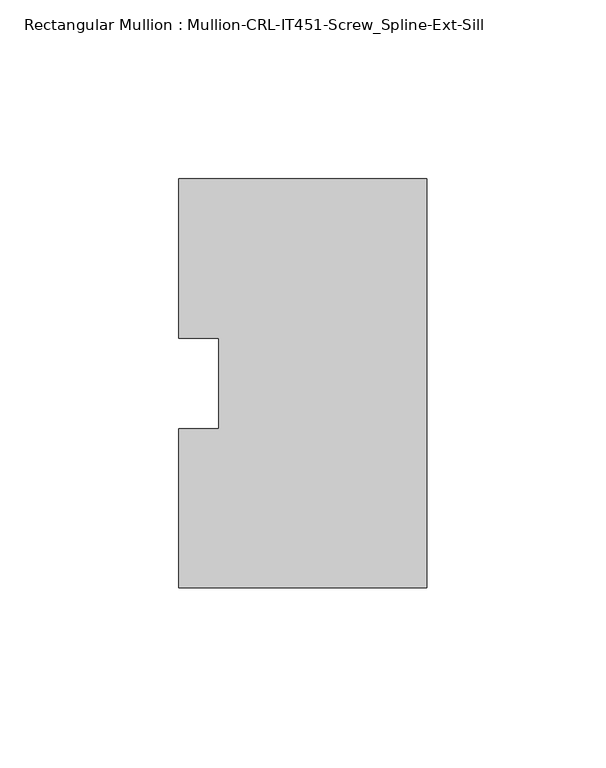
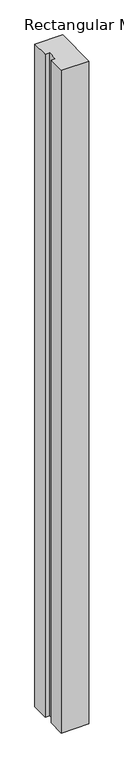
"""IFC4 building model written with IfcOpenShell, lengths in millimetres: member geometry, Rectangular Mullion : Mullion-CRL-IT451-Screw_Spline-Ext-Sill."""

import ifcopenshell
import ifcopenshell.guid

model = None  # the IFC model being written
_history = None  # IfcOwnerHistory: only IFC2X3 demands one
_inside = {}  # id of a spatial element -> (the spatial element, [elements in it])
_under = {}  # id of a project, library or spatial element -> (it, [spatial elements below it])
_declared = {}  # id of a project -> (the project, [libraries it declares])
_typed = {}  # id of a type object -> (the type object, [elements of that type])
_made_of = {}  # id of a material, layer set ... -> (it, [elements and type objects made of it])


def new_model(schema):
    """Start an empty IFC model of exactly this schema.

    Asked for "IFC4X3", IfcOpenShell would pick the latest addendum, in which some entities
    have other attributes; the version numbers below select the first issue.
    IFC2X3 requires an IfcOwnerHistory on every rooted entity: one is made here for all.
    """
    global model, _history
    if schema == "IFC4X3":
        model = ifcopenshell.file(schema_version=(4, 3, 0, 0))
    else:
        model = ifcopenshell.file(schema=schema)
    _inside.clear()
    _under.clear()
    _declared.clear()
    _typed.clear()
    _made_of.clear()
    _history = None
    if model.schema == "IFC2X3":
        org = make("IfcOrganization", Name="unknown")
        user = make(
            "IfcPersonAndOrganization",
            ThePerson=make("IfcPerson", FamilyName="unknown"),
            TheOrganization=org,
        )
        app = make(
            "IfcApplication",
            ApplicationDeveloper=org,
            Version="unknown",
            ApplicationFullName="unknown",
            ApplicationIdentifier="unknown",
        )
        _history = make(
            "IfcOwnerHistory",
            OwningUser=user,
            OwningApplication=app,
            ChangeAction="ADDED",
            CreationDate=0,
        )
    return model


def make(cls, **values):
    """One entity of the class cls with the attributes given. An attribute that is None is left unset."""
    return model.create_entity(
        cls, **{name: value for name, value in values.items() if value is not None}
    )


def rooted(cls, **values):
    """An entity with a GlobalId (a new one), such as an element, a storey or a relation."""
    return make(cls, GlobalId=ifcopenshell.guid.new(), OwnerHistory=_history, **values)


def si_unit(unit_type, name, prefix=None):
    """IfcSIUnit, for example si_unit("LENGTHUNIT", "METRE", prefix="MILLI")."""
    return make("IfcSIUnit", UnitType=unit_type, Prefix=prefix, Name=name)


def assignment(units):
    """IfcUnitAssignment: the units of a project."""
    return None if units is None else make("IfcUnitAssignment", Units=units)


def point(xyz):
    """IfcCartesianPoint."""
    return None if xyz is None else make("IfcCartesianPoint", Coordinates=xyz)


def direction(xyz):
    """IfcDirection."""
    return None if xyz is None else make("IfcDirection", DirectionRatios=xyz)


def frame(location, z_axis=None, x_axis=None):
    """IfcAxis2Placement3D, a coordinate frame: its origin and axes. An axis left out is left unset."""
    return make(
        "IfcAxis2Placement3D",
        Location=point(location),
        Axis=direction(z_axis),
        RefDirection=direction(x_axis),
    )


def origin():
    """The frame at (0, 0, 0) with its axes left unset."""
    return frame((0.0, 0.0, 0.0))


def place(relative_to, where):
    """IfcLocalPlacement: puts the frame where relative to a parent placement (None: the world)."""
    return make(
        "IfcLocalPlacement", PlacementRelTo=relative_to, RelativePlacement=where
    )


def context(
    kind, dimensions, precision=None, world=None, true_north=None, identifier=None
):
    """IfcGeometricRepresentationContext, for example the 3D "Model" context."""
    return make(
        "IfcGeometricRepresentationContext",
        ContextIdentifier=identifier,
        ContextType=kind,
        CoordinateSpaceDimension=dimensions,
        Precision=precision,
        WorldCoordinateSystem=world,
        TrueNorth=true_north,
    )


def project(units=None, contexts=None):
    """IfcProject with its units and contexts."""
    return rooted(
        "IfcProject",
        Name="project",
        RepresentationContexts=contexts,
        UnitsInContext=assignment(units),
    )


def spatial(cls, under=None, at=None, **own):
    """A site, building, storey or space (cls), placed at a placement, below another one or the project."""
    s = rooted(cls, ObjectPlacement=at, **own)
    if under is not None:
        _under.setdefault(under.id(), (under, []))[1].append(s)
    return s


def polyline(points):
    """IfcPolyline through the points."""
    return make("IfcPolyline", Points=[point(p) for p in points])


def outline(outer, holes=None, kind="AREA"):
    """IfcArbitraryClosedProfileDef: a profile drawn as a closed curve; with holes, ...WithVoids."""
    if holes is None:
        return make("IfcArbitraryClosedProfileDef", ProfileType=kind, OuterCurve=outer)
    return make(
        "IfcArbitraryProfileDefWithVoids",
        ProfileType=kind,
        OuterCurve=outer,
        InnerCurves=holes,
    )


def extrude(swept, where, along, depth):
    """IfcExtrudedAreaSolid: the profile swept, set in the frame where, extruded along a direction by depth."""
    return make(
        "IfcExtrudedAreaSolid",
        SweptArea=swept,
        Position=where,
        ExtrudedDirection=direction(along),
        Depth=depth,
    )


def shape(context_of_items, identifier, shape_type, items):
    """IfcShapeRepresentation: the items that make up one representation, for example the "Body"."""
    return make(
        "IfcShapeRepresentation",
        ContextOfItems=context_of_items,
        RepresentationIdentifier=identifier,
        RepresentationType=shape_type,
        Items=items,
    )


def source(mapping_origin, context_of_items, identifier, shape_type, items):
    """IfcRepresentationMap: a shape defined once, which mapped items show again and again."""
    return make(
        "IfcRepresentationMap",
        MappingOrigin=mapping_origin,
        MappedRepresentation=shape(context_of_items, identifier, shape_type, items),
    )


def transform(
    local_origin,
    x_axis=None,
    y_axis=None,
    z_axis=None,
    scale=None,
    scale2=None,
    scale3=None,
    uniform=True,
):
    """IfcCartesianTransformationOperator3D, or its non-uniform kind. x_axis, y_axis, z_axis: its Axis1, 2, 3."""
    if uniform:
        return make(
            "IfcCartesianTransformationOperator3D",
            Axis1=direction(x_axis),
            Axis2=direction(y_axis),
            LocalOrigin=point(local_origin),
            Scale=scale,
            Axis3=direction(z_axis),
        )
    return make(
        "IfcCartesianTransformationOperator3DnonUniform",
        Axis1=direction(x_axis),
        Axis2=direction(y_axis),
        LocalOrigin=point(local_origin),
        Scale=scale,
        Axis3=direction(z_axis),
        Scale2=scale2,
        Scale3=scale3,
    )


def mapped(mapping_source, mapping_target):
    """IfcMappedItem: shows the shape of a source again, moved by a transform."""
    return make(
        "IfcMappedItem", MappingSource=mapping_source, MappingTarget=mapping_target
    )


def made_of(thing, what):
    """Note that an element or type object is made of a material, layer set ...; save() writes the relation."""
    if what is not None:
        _made_of.setdefault(what.id(), (what, []))[1].append(thing)
    return thing


def element(
    cls,
    number,
    at=None,
    inside=None,
    cuts=None,
    type_object=None,
    material=None,
    context=None,
    identifier="Body",
    shape_type=None,
    held_by="IfcProductDefinitionShape",
    body=None,
    shapes=None,
    **own,
):
    """One element of the class cls, such as IfcWall. Its Tag is "e" and its number.

    at: its placement. inside: the storey or other place that contains it. cuts: it is an
    opening in that element (IfcRelVoidsElement). A single representation is given by context,
    identifier, shape_type and body (its items); several are given by shapes. held_by: the class
    of the entity that holds the representations. save() writes the other relations.
    """
    e = rooted(cls, Tag="e%d" % number, ObjectPlacement=at, **own)
    if body is not None:
        shapes = [shape(context, identifier, shape_type, body)]
    if shapes is not None:
        e.Representation = make(held_by, Representations=shapes)
    if inside is not None:
        _inside.setdefault(inside.id(), (inside, []))[1].append(e)
    if cuts is not None:
        rooted(
            "IfcRelVoidsElement", RelatingBuildingElement=cuts, RelatedOpeningElement=e
        )
    if type_object is not None:
        _typed.setdefault(type_object.id(), (type_object, []))[1].append(e)
    return made_of(e, material)


def aggregate(whole, parts):
    """IfcRelAggregates: a whole, such as a stair, and the parts it consists of."""
    return rooted("IfcRelAggregates", RelatingObject=whole, RelatedObjects=parts)


def save(model, path):
    """Write the relations noted so far, then the file.

    IfcRelAggregates (storeys below a building ...), IfcRelContainedInSpatialStructure (elements
    in a storey), IfcRelDefinesByType, IfcRelAssociatesMaterial and IfcRelDeclares: one each for
    every whole, place, type object, material and project.
    """
    for whole, parts in _under.values():
        aggregate(whole, parts)
    for where, things in _inside.values():
        rooted(
            "IfcRelContainedInSpatialStructure",
            RelatedElements=things,
            RelatingStructure=where,
        )
    for kind, things in _typed.values():
        rooted("IfcRelDefinesByType", RelatedObjects=things, RelatingType=kind)
    for what, things in _made_of.values():
        rooted("IfcRelAssociatesMaterial", RelatedObjects=things, RelatingMaterial=what)
    for by, libraries in _declared.values():
        rooted("IfcRelDeclares", RelatingContext=by, RelatedDefinitions=libraries)
    model.write(path)


def rectangular_mullion_mullion_crl_it451_screw_spline_ext_sill_4553c712(model_context):
    return source(origin(), model_context, "Body", "SweptSolid", [
        extrude(outline(polyline([(0.0, -57.15), (-69.2658181, -57.15), (-69.2658181, -12.7), (-58.1533181, -12.7), (-58.1533181, 12.7), (-69.2658181, 12.7), (-69.2658181, 57.15), (0.0, 57.15), (0.0, -57.15)])), frame((0.0, 0.0, -1752.6), z_axis=(0.0, 0.0, 1.0), x_axis=(1.0, 0.0, 0.0)), (0.0, 0.0, 1.0), 1752.6),
    ])


if __name__ == "__main__":
    model = new_model("IFC4")
    model_context = context("Model", 3, world=origin())
    ifc_project = project(units=[si_unit("LENGTHUNIT", "METRE", prefix="MILLI")], contexts=[model_context])
    site = spatial("IfcSite", under=ifc_project)
    building = spatial("IfcBuilding", under=site)
    placement = place(None, origin())
    rectangular_mullion_mullion_crl_it451_screw_spline_ext_sill_shape = rectangular_mullion_mullion_crl_it451_screw_spline_ext_sill_4553c712(model_context)
    element("IfcMember", 1, ObjectType="Rectangular Mullion : Mullion-CRL-IT451-Screw_Spline-Ext-Sill", at=placement, inside=building, context=model_context, shape_type="MappedRepresentation", body=[
        mapped(rectangular_mullion_mullion_crl_it451_screw_spline_ext_sill_shape, transform((0.0, 0.0, 0.0), x_axis=(1.0, 0.0, 0.0), y_axis=(0.0, 1.0, 0.0), z_axis=(0.0, 0.0, 1.0))),
    ])
    save(model, "model.ifc")
